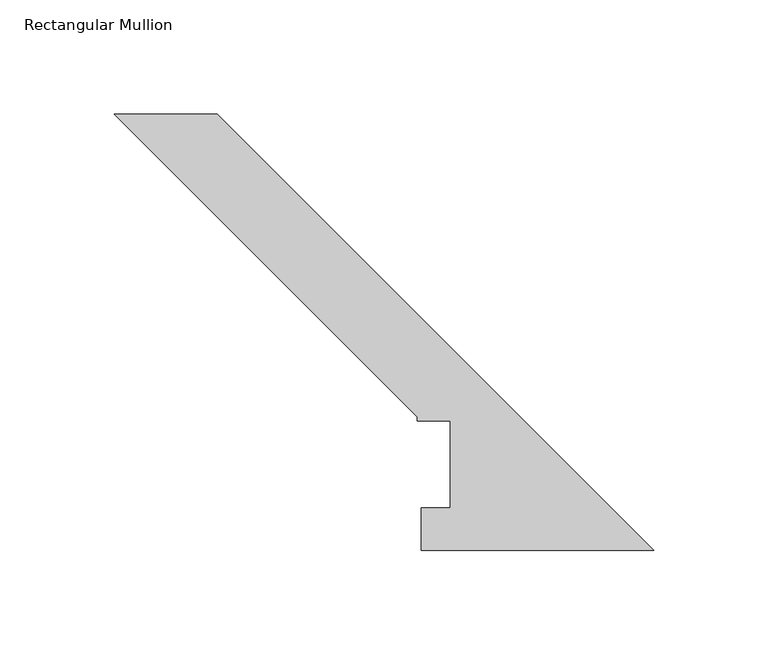
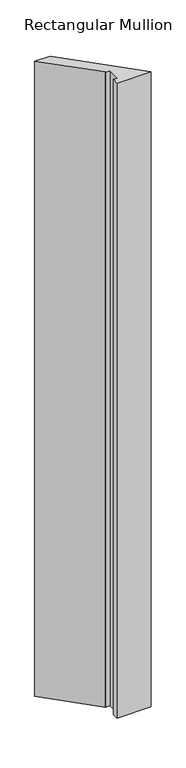
"""IFC4 building model written with IfcOpenShell, lengths in millimetres: member geometry, Rectangular Mullion."""

from ifc_helpers import new_model, si_unit, frame, origin, place, context, project, spatial, polyline, outline, extrude, source, transform, mapped, element, save


def rectangular_mullion_e0ecf7ee(model_context):
    return source(origin(), model_context, "Body", "SweptSolid", [
        extrude(outline(polyline([(-235.6442703, 190.7294959), (-190.7429897, 190.7294959), (0.0, -0.0134938), (-101.5686806, -0.0134938), (-101.5686806, 18.5539062), (-88.8686806, 18.5539062), (-88.8686806, 56.6539063), (-103.2196806, 56.6539063), (-103.2196806, 58.3049062), (-235.6442703, 190.7294959)])), frame((0.0, 0.0, -1993.9), z_axis=(0.0, 0.0, 1.0), x_axis=(1.0, 0.0, 0.0)), (0.0, 0.0, 1.0), 1993.9),
    ])


if __name__ == "__main__":
    model = new_model("IFC4")
    model_context = context("Model", 3, world=origin())
    ifc_project = project(units=[si_unit("LENGTHUNIT", "METRE", prefix="MILLI")], contexts=[model_context])
    site = spatial("IfcSite", under=ifc_project)
    building = spatial("IfcBuilding", under=site)
    placement = place(None, origin())
    rectangular_mullion_shape = rectangular_mullion_e0ecf7ee(model_context)
    element("IfcMember", 1, ObjectType="Rectangular Mullion", at=placement, inside=building, context=model_context, shape_type="MappedRepresentation", body=[
        mapped(rectangular_mullion_shape, transform((0.0, 0.0, 0.0), x_axis=(1.0, 0.0, 0.0), y_axis=(0.0, 1.0, 0.0), z_axis=(0.0, 0.0, 1.0))),
    ])
    save(model, "model.ifc")
